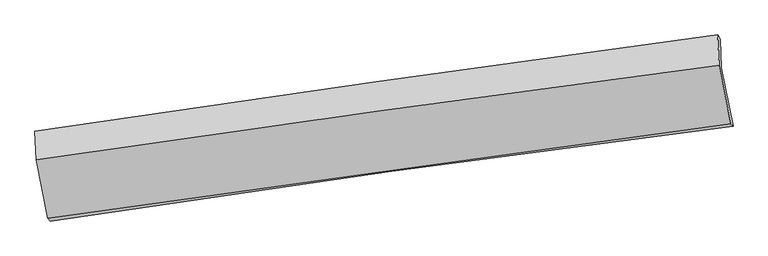
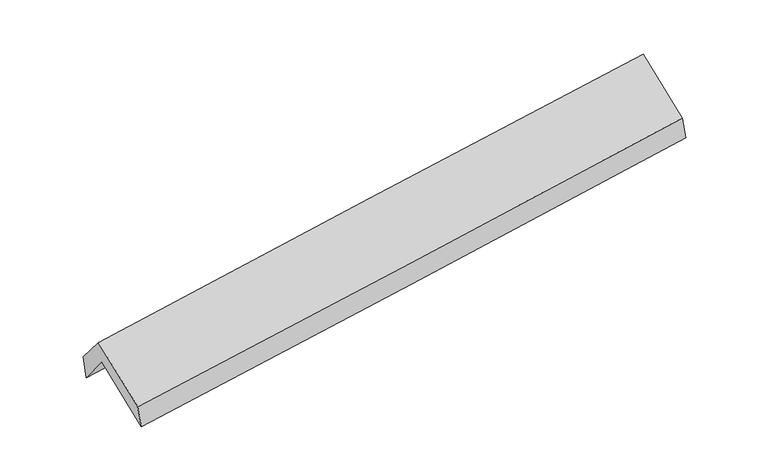
"""IFC4 building model written with IfcOpenShell, lengths in millimetres: proxy geometry."""

from ifc_helpers import new_model, si_unit, frame, origin, place, context, project, spatial, source, transform, mapped, element, save
from ifc_brep_helpers import plane_surface, spline_curve, spline_surface, advanced_brep


def generic_models_9b1fd0da(model_context):
    return source(origin(), model_context, "Body", "AdvancedBrep", [
        advanced_brep(
        [(-2906.5365751, -2506.5097292, 1450.5581377), (-3010.6301084, -1994.8967729, 1870.1689413), (2952.0809757, -1167.8804006, 2364.0607884), (3056.5447638, -1678.6801512, 1938.523317), (-3019.2214303, -1738.4143632, 1543.9777051), (2943.7152296, -917.8009026, 2045.8760867), (-3039.5865558, -1721.1398453, 1765.5442105), (2921.6987271, -881.8380811, 2256.2956148), (-3029.7017583, -1971.2479591, 2065.0803147), (2934.1027762, -1146.9265424, 2550.0522553), (-2926.7534329, -2480.5511737, 1655.6751879), (3037.1023786, -1656.4834335, 2140.4432098)],
        [
            (0, 1),
            (1, 2, spline_curve(3, [(-3010.6301084, -1994.8967729, 1870.1689413), (-2016.446298322, -1847.49895539, 1931.477965298), (-1022.461914299, -1704.882030121, 2003.290119656), (965.108447355, -1429.209901584, 2167.920725907), (1958.694424633, -1296.15470304, 2260.739187136), (2952.0809757, -1167.8804006, 2364.0607884)], [4, 2, 4], [0.0, 9.908932748115697, 19.81786994581531])),
            (2, 3),
            (3, 0, spline_curve(3, [(3056.5447638, -1678.6801512, 1938.523317), (2062.376440197, -1802.694521276, 1837.649894059), (1068.368722153, -1933.68752148, 1746.549410487), (-919.325057268, -2209.630720164, 1583.894359833), (-1913.011118808, -2354.580912805, 1512.339783108), (-2906.5365751, -2506.5097292, 1450.5581377)], [4, 2, 4], [0.0, 9.908937197699613, 19.81786994581531])),
            (1, 4),
            (4, 5, spline_curve(3, [(-3019.2214303, -1738.4143632, 1543.9777051), (-2024.932347937, -1593.99332698, 1609.004135259), (-1030.87653017, -1453.398368745, 1683.342204052), (956.769023444, -1179.860544839, 1850.64165631), (1950.358758888, -1046.917683217, 1943.603047981), (2943.7152296, -917.8009026, 2045.8760867)], [4, 2, 4], [0.0, 9.908735353417915, 19.81747515633111])),
            (5, 2),
            (4, 6),
            (6, 7, spline_curve(3, [(-3039.5865558, -1721.1398453, 1765.5442105), (-2047.326478364, -1573.773973033, 1850.584722226), (-1054.422777756, -1430.149237815, 1934.000919431), (932.672315706, -1150.38197997, 2097.584722497), (1926.863709505, -1014.239460015, 2177.75232657), (2921.6987271, -881.8380811, 2256.2956148)], [4, 2, 4], [0.0, 9.90832170699004, 19.81664786328961])),
            (7, 5),
            (6, 8),
            (8, 9, spline_curve(3, [(-3029.7017583, -1971.2479591, 2065.0803147), (-2036.39197392, -1826.886063159, 2142.259735014), (-1042.75348217, -1686.011678597, 2221.263764199), (945.181362509, -1411.23786971, 2382.921075897), (1939.477715605, -1277.338448911, 2465.574360627), (2934.1027762, -1146.9265424, 2550.0522553)], [4, 2, 4], [0.0, 9.90824639633375, 19.81649724194321])),
            (9, 7),
            (8, 10),
            (10, 11, spline_curve(3, [(-2926.7534329, -2480.5511737, 1655.6751879), (-1932.343617546, -2341.631322149, 1728.480002506), (-938.150837058, -2203.499099703, 1805.279734948), (1049.8011004, -1928.809852423, 1966.869071732), (2043.560257021, -1792.252827862, 2051.658680071), (3037.1023786, -1656.4834335, 2140.4432098)], [4, 2, 4], [0.0, 9.908218305339938, 19.816441059942974])),
            (11, 9),
            (10, 0),
            (3, 11),
        ],
        [
            spline_surface(3, 3, [[(-2906.5365751, -2506.5097292, 1450.5581377), (-1913.011118786, -2354.580912774, 1512.339783266), (-919.325057301, -2209.630720287, 1583.894359676), (1068.368722185, -1933.687521357, 1746.549410644), (2062.376440339, -1802.69452117, 1837.649894044), (3056.5447638, -1678.6801512, 1938.523317)], [(-2941.234419546, -2335.972077098, 1590.428405549), (-1947.489511928, -2185.553593657, 1652.052510593), (-953.704009618, -2041.381156868, 1723.692946313), (1033.94863055, -1765.528314781, 1887.006515719), (2027.815768453, -1633.847915082, 1978.679658462), (3021.723501076, -1508.413567656, 2080.369140815)], [(-2975.932263954, -2165.434425002, 1730.298673451), (-1981.967905032, -2016.526274545, 1791.765237973), (-988.08296192, -1873.131593472, 1863.491533004), (999.52853893, -1597.369108229, 2027.463620847), (1993.255096639, -1465.001309027, 2119.709422836), (2986.902238424, -1338.146984144, 2222.214964585)], [(-3010.6301084, -1994.8967729, 1870.1689413), (-2016.446298174, -1847.498955427, 1931.4779653), (-1022.461914237, -1704.882030052, 2003.290119642), (965.108447294, -1429.209901653, 2167.920725921), (1958.694424752, -1296.154702939, 2260.739187255), (2952.0809757, -1167.8804006, 2364.0607884)]], [4, 4], [4, 2, 4], [0.0, 2.1812199599152], [0.0, 9.908932748115697, 19.81786994581531]),
            spline_surface(3, 3, [[(-3010.6301084, -1994.8967729, 1870.1689413), (-2016.446298174, -1847.498955427, 1931.4779653), (-1022.461914237, -1704.882030052, 2003.290119642), (965.108447294, -1429.209901653, 2167.920725921), (1958.694424752, -1296.154702939, 2260.739187255), (2952.0809757, -1167.8804006, 2364.0607884)], [(-3013.493882368, -1909.402636336, 1761.438529238), (-2019.274981467, -1762.997079332, 1823.986688644), (-1025.266786196, -1621.054142882, 1896.640814463), (962.328639327, -1346.093449407, 2062.161036037), (1955.915869432, -1213.075696405, 2155.027140831), (2949.292393675, -1084.52056795, 2257.999221152)], [(-3016.357656332, -1823.908499764, 1652.708117162), (-2022.103664755, -1678.495203228, 1716.495411973), (-1028.071658157, -1537.226255776, 1789.991509279), (959.548831357, -1262.976997224, 1956.401346148), (1953.137314086, -1129.996689822, 2049.315094452), (2946.503811625, -1001.16073525, 2151.937653948)], [(-3019.2214303, -1738.4143632, 1543.9777051), (-2024.932348048, -1593.993327133, 1609.004135317), (-1030.876530116, -1453.398368606, 1683.3422041), (956.76902339, -1179.860544978, 1850.641656263), (1950.358758766, -1046.917683288, 1943.603048028), (2943.7152296, -917.8009026, 2045.8760867)]], [4, 4], [4, 2, 4], [0.0, 1.3298258725994707], [0.0, 9.908735353417915, 19.81747515633111]),
            spline_surface(3, 3, [[(-3019.2214303, -1738.4143632, 1543.9777051), (-2024.932348048, -1593.993327133, 1609.004135317), (-1030.876530116, -1453.398368606, 1683.3422041), (956.76902339, -1179.860544978, 1850.641656263), (1950.358758766, -1046.917683288, 1943.603048028), (2943.7152296, -917.8009026, 2045.8760867)], [(-3026.009805452, -1732.656190571, 1617.83320689), (-2032.39705817, -1587.253542404, 1689.530997585), (-1038.725279363, -1445.648658405, 1766.895109237), (948.736787546, -1170.034356622, 1932.956011644), (1942.527075712, -1036.024942224, 2021.65280751), (2936.376395445, -905.813295429, 2116.0159294)], [(-3032.798180648, -1726.898017929, 1691.68870871), (-2039.861768338, -1580.513757663, 1770.057859883), (-1046.574028635, -1437.89894814, 1850.448014379), (940.704551676, -1160.208168202, 2015.270367031), (1934.695392623, -1025.132201172, 2099.702566991), (2929.037561255, -893.825688271, 2186.1557721)], [(-3039.5865558, -1721.1398453, 1765.5442105), (-2047.326478461, -1573.773972934, 1850.584722151), (-1054.422777882, -1430.149237939, 1934.000919516), (932.672315832, -1150.381979846, 2097.584722412), (1926.863709569, -1014.239460107, 2177.752326473), (2921.6987271, -881.8380811, 2256.2956148)]], [4, 4], [4, 2, 4], [0.0, 0.8245580171206645], [0.0, 9.90832170699004, 19.81664786328961]),
            spline_surface(3, 3, [[(-3039.5865558, -1721.1398453, 1765.5442105), (-2047.326478461, -1573.773972934, 1850.584722151), (-1054.422777882, -1430.149237939, 1934.000919516), (932.672315832, -1150.381979846, 2097.584722412), (1926.863709569, -1014.239460107, 2177.752326473), (2921.6987271, -881.8380811, 2256.2956148)], [(-3036.291623318, -1804.509216548, 1865.389578566), (-2043.681643617, -1658.144669668, 1947.809726459), (-1050.533012638, -1515.436718105, 2029.755201065), (936.841998015, -1237.333943142, 2192.696840296), (1931.068378196, -1101.939123026, 2273.693004485), (2925.833410116, -970.200901511, 2354.214494971)], [(-3032.996690782, -1887.878587852, 1965.234946634), (-2040.036808718, -1742.515366458, 2045.034730769), (-1046.64324734, -1600.724198339, 2125.509482548), (941.011680252, -1324.285906507, 2287.808958115), (1935.273046876, -1189.63878601, 2369.633682484), (2929.968093184, -1058.563721989, 2452.133375129)], [(-3029.7017583, -1971.2479591, 2065.0803147), (-2036.391973875, -1826.886063191, 2142.259735077), (-1042.753482096, -1686.011678504, 2221.263764096), (945.181362435, -1411.237869803, 2382.921076), (1939.477715504, -1277.338448928, 2465.574360496), (2934.1027762, -1146.9265424, 2550.0522553)]], [4, 4], [4, 2, 4], [0.0, 1.2658391361837822], [0.0, 9.90824639633375, 19.81649724194321]),
            spline_surface(3, 3, [[(-3029.7017583, -1971.2479591, 2065.0803147), (-2036.391973875, -1826.886063191, 2142.259735077), (-1042.753482096, -1686.011678504, 2221.263764096), (945.181362435, -1411.237869803, 2382.921076), (1939.477715504, -1277.338448928, 2465.574360496), (2934.1027762, -1146.9265424, 2550.0522553)], [(-2995.38564984, -2141.015697306, 1928.611939103), (-2001.7091884, -1998.467816159, 2004.333157524), (-1007.885933712, -1858.507485624, 2082.602420995), (980.054608434, -1583.76186401, 2244.237074611), (1974.171896044, -1448.976575264, 2327.602467019), (2968.435977014, -1316.778839445, 2413.515906792)], [(-2961.06954136, -2310.783435494, 1792.143563497), (-1967.026402907, -2170.04956911, 1866.406579961), (-973.018385401, -2031.003292662, 1943.94107792), (1014.92785436, -1756.285858137, 2105.55307325), (2008.866076541, -1620.614701565, 2189.630573567), (3002.769177786, -1486.631136455, 2276.979558308)], [(-2926.7534329, -2480.5511737, 1655.6751879), (-1932.343617432, -2341.631322078, 1728.480002408), (-938.150837017, -2203.499099781, 1805.279734819), (1049.801100359, -1928.809852344, 1966.869071862), (2043.560257082, -1792.252827901, 2051.65868009), (3037.1023786, -1656.4834335, 2140.4432098)]], [4, 4], [4, 2, 4], [0.0, 2.2053772685850253], [0.0, 9.908218305339938, 19.816441059942974]),
            spline_surface(3, 3, [[(-2926.7534329, -2480.5511737, 1655.6751879), (-1932.343617432, -2341.631322078, 1728.480002408), (-938.150837017, -2203.499099781, 1805.279734819), (1049.801100359, -1928.809852344, 1966.869071862), (2043.560257082, -1792.252827901, 2051.65868009), (3037.1023786, -1656.4834335, 2140.4432098)], [(-2920.014480276, -2489.204025541, 1587.302837854), (-1925.899451193, -2345.947852318, 1656.433262715), (-931.875577122, -2205.542973287, 1731.484609776), (1055.990307624, -1930.435742018, 1893.429184794), (2049.832318174, -1795.733392332, 1980.322418078), (3043.583173673, -1663.882339408, 2073.13657887)], [(-2913.275527724, -2497.856877359, 1518.930487746), (-1919.455285025, -2350.264382534, 1584.386522959), (-925.600317195, -2207.586846782, 1657.689484718), (1062.179514921, -1932.061631683, 1819.989297712), (2056.104379247, -1799.213956739, 1908.986156056), (3050.063968727, -1671.281245292, 2005.82994793)], [(-2906.5365751, -2506.5097292, 1450.5581377), (-1913.011118786, -2354.580912774, 1512.339783266), (-919.325057301, -2209.630720287, 1583.894359676), (1068.368722185, -1933.687521357, 1746.549410644), (2062.376440339, -1802.69452117, 1837.649894044), (3056.5447638, -1678.6801512, 1938.523317)]], [4, 4], [4, 2, 4], [0.0, 0.727397812148532], [0.0, 9.908500603739586, 19.817005656869036]),
            plane_surface(frame((2974.2074752, -1241.6015852, 2215.875212), z_axis=(0.987574409176135, 0.13512510028472374, 0.08023710870570572), x_axis=(0.15562533254039032, -0.769905502062722, -0.6188911647173847))),
            plane_surface(frame((-2988.7383101, -2068.7933072, 1725.1674162), z_axis=(-0.9875744091761365, -0.13512510028470384, -0.08023710870572294), x_axis=(-0.09731845784040923, 0.12495742946074817, 0.9873777182953476))),
        ],
        [
            (0, [[1, 2, 3, 4]]),
            (1, [[5, 6, 7, -2]]),
            (2, [[8, 9, 10, -6]]),
            (3, [[11, 12, 13, -9]]),
            (4, [[14, 15, 16, -12]]),
            (5, [[17, -4, 18, -15]]),
            (6, [[-16, -18, -3, -7, -10, -13]]),
            (7, [[-17, -14, -11, -8, -5, -1]]),
        ],
    ),
    ])


if __name__ == "__main__":
    model = new_model("IFC4")
    model_context = context("Model", 3, world=origin())
    ifc_project = project(units=[si_unit("LENGTHUNIT", "METRE", prefix="MILLI")], contexts=[model_context])
    site = spatial("IfcSite", under=ifc_project)
    building = spatial("IfcBuilding", under=site)
    placement = place(None, origin())
    generic_models_shape = generic_models_9b1fd0da(model_context)
    element("IfcBuildingElementProxy", 1, Name="Generic Models", at=placement, inside=building, context=model_context, shape_type="MappedRepresentation", body=[
        mapped(generic_models_shape, transform((0.0, 0.0, 0.0), x_axis=(1.0, 0.0, 0.0), y_axis=(0.0, 1.0, 0.0), z_axis=(0.0, 0.0, 1.0))),
    ])
    save(model, "model.ifc")
